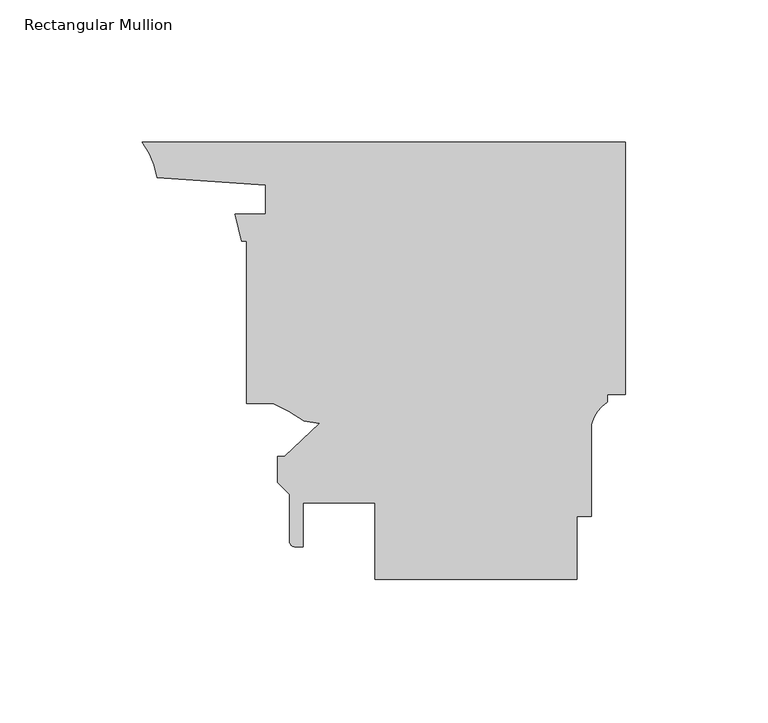
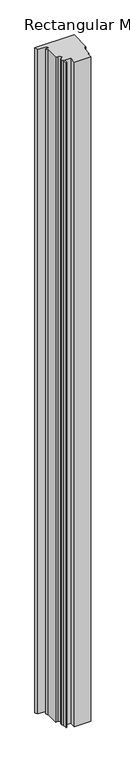
"""IFC4 building model written with IfcOpenShell, lengths in millimetres: member geometry, Rectangular Mullion."""

import ifcopenshell
import ifcopenshell.guid

model = None  # the IFC model being written
_history = None  # IfcOwnerHistory: only IFC2X3 demands one
_inside = {}  # id of a spatial element -> (the spatial element, [elements in it])
_under = {}  # id of a project, library or spatial element -> (it, [spatial elements below it])
_declared = {}  # id of a project -> (the project, [libraries it declares])
_typed = {}  # id of a type object -> (the type object, [elements of that type])
_made_of = {}  # id of a material, layer set ... -> (it, [elements and type objects made of it])


def new_model(schema):
    """Start an empty IFC model of exactly this schema.

    Asked for "IFC4X3", IfcOpenShell would pick the latest addendum, in which some entities
    have other attributes; the version numbers below select the first issue.
    IFC2X3 requires an IfcOwnerHistory on every rooted entity: one is made here for all.
    """
    global model, _history
    if schema == "IFC4X3":
        model = ifcopenshell.file(schema_version=(4, 3, 0, 0))
    else:
        model = ifcopenshell.file(schema=schema)
    _inside.clear()
    _under.clear()
    _declared.clear()
    _typed.clear()
    _made_of.clear()
    _history = None
    if model.schema == "IFC2X3":
        org = make("IfcOrganization", Name="unknown")
        user = make(
            "IfcPersonAndOrganization",
            ThePerson=make("IfcPerson", FamilyName="unknown"),
            TheOrganization=org,
        )
        app = make(
            "IfcApplication",
            ApplicationDeveloper=org,
            Version="unknown",
            ApplicationFullName="unknown",
            ApplicationIdentifier="unknown",
        )
        _history = make(
            "IfcOwnerHistory",
            OwningUser=user,
            OwningApplication=app,
            ChangeAction="ADDED",
            CreationDate=0,
        )
    return model


def make(cls, **values):
    """One entity of the class cls with the attributes given. An attribute that is None is left unset."""
    return model.create_entity(
        cls, **{name: value for name, value in values.items() if value is not None}
    )


def rooted(cls, **values):
    """An entity with a GlobalId (a new one), such as an element, a storey or a relation."""
    return make(cls, GlobalId=ifcopenshell.guid.new(), OwnerHistory=_history, **values)


def si_unit(unit_type, name, prefix=None):
    """IfcSIUnit, for example si_unit("LENGTHUNIT", "METRE", prefix="MILLI")."""
    return make("IfcSIUnit", UnitType=unit_type, Prefix=prefix, Name=name)


def assignment(units):
    """IfcUnitAssignment: the units of a project."""
    return None if units is None else make("IfcUnitAssignment", Units=units)


def point(xyz):
    """IfcCartesianPoint."""
    return None if xyz is None else make("IfcCartesianPoint", Coordinates=xyz)


def direction(xyz):
    """IfcDirection."""
    return None if xyz is None else make("IfcDirection", DirectionRatios=xyz)


def frame(location, z_axis=None, x_axis=None):
    """IfcAxis2Placement3D, a coordinate frame: its origin and axes. An axis left out is left unset."""
    return make(
        "IfcAxis2Placement3D",
        Location=point(location),
        Axis=direction(z_axis),
        RefDirection=direction(x_axis),
    )


def frame_2d(location, x_axis=None):
    """IfcAxis2Placement2D, a coordinate frame in the plane: its origin and x axis."""
    return make(
        "IfcAxis2Placement2D", Location=point(location), RefDirection=direction(x_axis)
    )


def origin():
    """The frame at (0, 0, 0) with its axes left unset."""
    return frame((0.0, 0.0, 0.0))


def place(relative_to, where):
    """IfcLocalPlacement: puts the frame where relative to a parent placement (None: the world)."""
    return make(
        "IfcLocalPlacement", PlacementRelTo=relative_to, RelativePlacement=where
    )


def context(
    kind, dimensions, precision=None, world=None, true_north=None, identifier=None
):
    """IfcGeometricRepresentationContext, for example the 3D "Model" context."""
    return make(
        "IfcGeometricRepresentationContext",
        ContextIdentifier=identifier,
        ContextType=kind,
        CoordinateSpaceDimension=dimensions,
        Precision=precision,
        WorldCoordinateSystem=world,
        TrueNorth=true_north,
    )


def project(units=None, contexts=None):
    """IfcProject with its units and contexts."""
    return rooted(
        "IfcProject",
        Name="project",
        RepresentationContexts=contexts,
        UnitsInContext=assignment(units),
    )


def spatial(cls, under=None, at=None, **own):
    """A site, building, storey or space (cls), placed at a placement, below another one or the project."""
    s = rooted(cls, ObjectPlacement=at, **own)
    if under is not None:
        _under.setdefault(under.id(), (under, []))[1].append(s)
    return s


def polyline(points):
    """IfcPolyline through the points."""
    return make("IfcPolyline", Points=[point(p) for p in points])


def circle_curve(where, radius):
    """IfcCircle in the frame where."""
    return make("IfcCircle", Position=where, Radius=radius)


def trimmed(basis, trim1, trim2, sense, master):
    """IfcTrimmedCurve: the piece of a basis curve between two trims."""
    return make(
        "IfcTrimmedCurve",
        BasisCurve=basis,
        Trim1=trim1,
        Trim2=trim2,
        SenseAgreement=sense,
        MasterRepresentation=master,
    )


def segment(curve, same_sense, transition):
    """IfcCompositeCurveSegment."""
    return make(
        "IfcCompositeCurveSegment",
        Transition=transition,
        SameSense=same_sense,
        ParentCurve=curve,
    )


def composite_curve(segments, self_intersect=None):
    """IfcCompositeCurve: segments joined end to end."""
    return make("IfcCompositeCurve", Segments=segments, SelfIntersect=self_intersect)


def outline(outer, holes=None, kind="AREA"):
    """IfcArbitraryClosedProfileDef: a profile drawn as a closed curve; with holes, ...WithVoids."""
    if holes is None:
        return make("IfcArbitraryClosedProfileDef", ProfileType=kind, OuterCurve=outer)
    return make(
        "IfcArbitraryProfileDefWithVoids",
        ProfileType=kind,
        OuterCurve=outer,
        InnerCurves=holes,
    )


def extrude(swept, where, along, depth):
    """IfcExtrudedAreaSolid: the profile swept, set in the frame where, extruded along a direction by depth."""
    return make(
        "IfcExtrudedAreaSolid",
        SweptArea=swept,
        Position=where,
        ExtrudedDirection=direction(along),
        Depth=depth,
    )


def shape(context_of_items, identifier, shape_type, items):
    """IfcShapeRepresentation: the items that make up one representation, for example the "Body"."""
    return make(
        "IfcShapeRepresentation",
        ContextOfItems=context_of_items,
        RepresentationIdentifier=identifier,
        RepresentationType=shape_type,
        Items=items,
    )


def source(mapping_origin, context_of_items, identifier, shape_type, items):
    """IfcRepresentationMap: a shape defined once, which mapped items show again and again."""
    return make(
        "IfcRepresentationMap",
        MappingOrigin=mapping_origin,
        MappedRepresentation=shape(context_of_items, identifier, shape_type, items),
    )


def transform(
    local_origin,
    x_axis=None,
    y_axis=None,
    z_axis=None,
    scale=None,
    scale2=None,
    scale3=None,
    uniform=True,
):
    """IfcCartesianTransformationOperator3D, or its non-uniform kind. x_axis, y_axis, z_axis: its Axis1, 2, 3."""
    if uniform:
        return make(
            "IfcCartesianTransformationOperator3D",
            Axis1=direction(x_axis),
            Axis2=direction(y_axis),
            LocalOrigin=point(local_origin),
            Scale=scale,
            Axis3=direction(z_axis),
        )
    return make(
        "IfcCartesianTransformationOperator3DnonUniform",
        Axis1=direction(x_axis),
        Axis2=direction(y_axis),
        LocalOrigin=point(local_origin),
        Scale=scale,
        Axis3=direction(z_axis),
        Scale2=scale2,
        Scale3=scale3,
    )


def mapped(mapping_source, mapping_target):
    """IfcMappedItem: shows the shape of a source again, moved by a transform."""
    return make(
        "IfcMappedItem", MappingSource=mapping_source, MappingTarget=mapping_target
    )


def made_of(thing, what):
    """Note that an element or type object is made of a material, layer set ...; save() writes the relation."""
    if what is not None:
        _made_of.setdefault(what.id(), (what, []))[1].append(thing)
    return thing


def element(
    cls,
    number,
    at=None,
    inside=None,
    cuts=None,
    type_object=None,
    material=None,
    context=None,
    identifier="Body",
    shape_type=None,
    held_by="IfcProductDefinitionShape",
    body=None,
    shapes=None,
    **own,
):
    """One element of the class cls, such as IfcWall. Its Tag is "e" and its number.

    at: its placement. inside: the storey or other place that contains it. cuts: it is an
    opening in that element (IfcRelVoidsElement). A single representation is given by context,
    identifier, shape_type and body (its items); several are given by shapes. held_by: the class
    of the entity that holds the representations. save() writes the other relations.
    """
    e = rooted(cls, Tag="e%d" % number, ObjectPlacement=at, **own)
    if body is not None:
        shapes = [shape(context, identifier, shape_type, body)]
    if shapes is not None:
        e.Representation = make(held_by, Representations=shapes)
    if inside is not None:
        _inside.setdefault(inside.id(), (inside, []))[1].append(e)
    if cuts is not None:
        rooted(
            "IfcRelVoidsElement", RelatingBuildingElement=cuts, RelatedOpeningElement=e
        )
    if type_object is not None:
        _typed.setdefault(type_object.id(), (type_object, []))[1].append(e)
    return made_of(e, material)


def aggregate(whole, parts):
    """IfcRelAggregates: a whole, such as a stair, and the parts it consists of."""
    return rooted("IfcRelAggregates", RelatingObject=whole, RelatedObjects=parts)


def save(model, path):
    """Write the relations noted so far, then the file.

    IfcRelAggregates (storeys below a building ...), IfcRelContainedInSpatialStructure (elements
    in a storey), IfcRelDefinesByType, IfcRelAssociatesMaterial and IfcRelDeclares: one each for
    every whole, place, type object, material and project.
    """
    for whole, parts in _under.values():
        aggregate(whole, parts)
    for where, things in _inside.values():
        rooted(
            "IfcRelContainedInSpatialStructure",
            RelatedElements=things,
            RelatingStructure=where,
        )
    for kind, things in _typed.values():
        rooted("IfcRelDefinesByType", RelatedObjects=things, RelatingType=kind)
    for what, things in _made_of.values():
        rooted("IfcRelAssociatesMaterial", RelatedObjects=things, RelatingMaterial=what)
    for by, libraries in _declared.values():
        rooted("IfcRelDeclares", RelatingContext=by, RelatedDefinitions=libraries)
    model.write(path)


def rectangular_mullion_1fa071ff(model_context):
    return source(origin(), model_context, "Body", "SweptSolid", [
        extrude(outline(composite_curve([segment(trimmed(circle_curve(frame_2d((-192.0166343, -16.4585191)), 27.3047292), [point((-164.9873252, -12.5900978))], [point((-170.2298176, 0.0))], True, "CARTESIAN"), True, "CONTINUOUS"), segment(polyline([(-170.2298176, 0.0), (0.0, 0.0), (0.0, -88.899973), (-6.3499375, -88.899973), (-6.3499375, -91.5213571)]), True, "CONTINUOUS"), segment(trimmed(circle_curve(frame_2d((1.2750184, -102.8948086)), 13.6928942), [point((-6.3499375, -91.5213571))], [point((-11.9557952, -99.3676396))], True, "CARTESIAN"), True, "CONTINUOUS"), segment(polyline([(-11.9557952, -99.3676396), (-11.9557952, -131.762627), (-17.0357952, -131.762627), (-17.0357952, -153.987627), (-88.155795, -153.987627), (-88.155795, -127.0001275), (-113.5557951, -127.0001275), (-113.5557951, -142.5012765), (-116.4767952, -142.5012765)]), True, "CONTINUOUS"), segment(trimmed(circle_curve(frame_2d((-116.4767952, -140.7232765)), 1.778), [point((-116.4767952, -142.5012765))], [point((-118.2547952, -140.7232765))], False, "CARTESIAN"), True, "CONTINUOUS"), segment(polyline([(-118.2547952, -140.7232765), (-118.2547952, -124.1187687), (-122.5219952, -119.8515687), (-122.5219952, -110.7512765), (-119.9819954, -110.7512765), (-107.7762142, -99.1267231), (-113.2129978, -98.1680714)]), True, "CONTINUOUS"), segment(trimmed(circle_curve(frame_2d((-145.9694371, -143.7308572)), 56.1155216), [point((-113.2129978, -98.1680714))], [point((-124.0459954, -92.075127))], True, "CARTESIAN"), True, "CONTINUOUS"), segment(polyline([(-124.0459954, -92.075127), (-133.3499375, -92.075127), (-133.3499375, -34.925), (-135.0812017, -34.925), (-137.5233844, -25.4), (-126.7327675, -25.4), (-126.7327675, -15.24), (-164.9873252, -12.5900978)]), True, "CONTINUOUS")], self_intersect=False)), frame((0.0, 0.0, -3048.0), z_axis=(0.0, 0.0, 1.0), x_axis=(1.0, 0.0, 0.0)), (0.0, 0.0, 1.0), 3048.0),
    ])


if __name__ == "__main__":
    model = new_model("IFC4")
    model_context = context("Model", 3, world=origin())
    ifc_project = project(units=[si_unit("LENGTHUNIT", "METRE", prefix="MILLI")], contexts=[model_context])
    site = spatial("IfcSite", under=ifc_project)
    building = spatial("IfcBuilding", under=site)
    placement = place(None, origin())
    rectangular_mullion_shape = rectangular_mullion_1fa071ff(model_context)
    element("IfcMember", 1, ObjectType="Rectangular Mullion", at=placement, inside=building, context=model_context, shape_type="MappedRepresentation", body=[
        mapped(rectangular_mullion_shape, transform((0.0, 0.0, 0.0), x_axis=(1.0, 0.0, 0.0), y_axis=(0.0, 1.0, 0.0), z_axis=(0.0, 0.0, 1.0))),
    ])
    save(model, "model.ifc")
